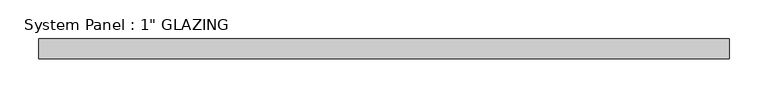
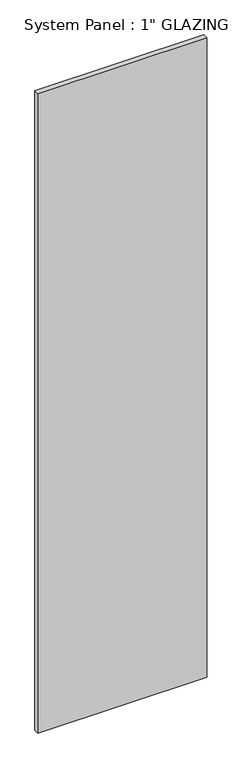
"""IFC4 building model written with IfcOpenShell, lengths in millimetres: plate geometry."""

import ifcopenshell
import ifcopenshell.guid

model = None  # the IFC model being written
_history = None  # IfcOwnerHistory: only IFC2X3 demands one
_inside = {}  # id of a spatial element -> (the spatial element, [elements in it])
_under = {}  # id of a project, library or spatial element -> (it, [spatial elements below it])
_declared = {}  # id of a project -> (the project, [libraries it declares])
_typed = {}  # id of a type object -> (the type object, [elements of that type])
_made_of = {}  # id of a material, layer set ... -> (it, [elements and type objects made of it])


def new_model(schema):
    """Start an empty IFC model of exactly this schema.

    Asked for "IFC4X3", IfcOpenShell would pick the latest addendum, in which some entities
    have other attributes; the version numbers below select the first issue.
    IFC2X3 requires an IfcOwnerHistory on every rooted entity: one is made here for all.
    """
    global model, _history
    if schema == "IFC4X3":
        model = ifcopenshell.file(schema_version=(4, 3, 0, 0))
    else:
        model = ifcopenshell.file(schema=schema)
    _inside.clear()
    _under.clear()
    _declared.clear()
    _typed.clear()
    _made_of.clear()
    _history = None
    if model.schema == "IFC2X3":
        org = make("IfcOrganization", Name="unknown")
        user = make(
            "IfcPersonAndOrganization",
            ThePerson=make("IfcPerson", FamilyName="unknown"),
            TheOrganization=org,
        )
        app = make(
            "IfcApplication",
            ApplicationDeveloper=org,
            Version="unknown",
            ApplicationFullName="unknown",
            ApplicationIdentifier="unknown",
        )
        _history = make(
            "IfcOwnerHistory",
            OwningUser=user,
            OwningApplication=app,
            ChangeAction="ADDED",
            CreationDate=0,
        )
    return model


def make(cls, **values):
    """One entity of the class cls with the attributes given. An attribute that is None is left unset."""
    return model.create_entity(
        cls, **{name: value for name, value in values.items() if value is not None}
    )


def rooted(cls, **values):
    """An entity with a GlobalId (a new one), such as an element, a storey or a relation."""
    return make(cls, GlobalId=ifcopenshell.guid.new(), OwnerHistory=_history, **values)


def si_unit(unit_type, name, prefix=None):
    """IfcSIUnit, for example si_unit("LENGTHUNIT", "METRE", prefix="MILLI")."""
    return make("IfcSIUnit", UnitType=unit_type, Prefix=prefix, Name=name)


def assignment(units):
    """IfcUnitAssignment: the units of a project."""
    return None if units is None else make("IfcUnitAssignment", Units=units)


def point(xyz):
    """IfcCartesianPoint."""
    return None if xyz is None else make("IfcCartesianPoint", Coordinates=xyz)


def direction(xyz):
    """IfcDirection."""
    return None if xyz is None else make("IfcDirection", DirectionRatios=xyz)


def frame(location, z_axis=None, x_axis=None):
    """IfcAxis2Placement3D, a coordinate frame: its origin and axes. An axis left out is left unset."""
    return make(
        "IfcAxis2Placement3D",
        Location=point(location),
        Axis=direction(z_axis),
        RefDirection=direction(x_axis),
    )


def origin():
    """The frame at (0, 0, 0) with its axes left unset."""
    return frame((0.0, 0.0, 0.0))


def origin_with_axes():
    """The frame at (0, 0, 0) with the z axis (0, 0, 1) and the x axis (1, 0, 0) written out."""
    return frame((0.0, 0.0, 0.0), z_axis=(0.0, 0.0, 1.0), x_axis=(1.0, 0.0, 0.0))


def place(relative_to, where):
    """IfcLocalPlacement: puts the frame where relative to a parent placement (None: the world)."""
    return make(
        "IfcLocalPlacement", PlacementRelTo=relative_to, RelativePlacement=where
    )


def context(
    kind, dimensions, precision=None, world=None, true_north=None, identifier=None
):
    """IfcGeometricRepresentationContext, for example the 3D "Model" context."""
    return make(
        "IfcGeometricRepresentationContext",
        ContextIdentifier=identifier,
        ContextType=kind,
        CoordinateSpaceDimension=dimensions,
        Precision=precision,
        WorldCoordinateSystem=world,
        TrueNorth=true_north,
    )


def project(units=None, contexts=None):
    """IfcProject with its units and contexts."""
    return rooted(
        "IfcProject",
        Name="project",
        RepresentationContexts=contexts,
        UnitsInContext=assignment(units),
    )


def spatial(cls, under=None, at=None, **own):
    """A site, building, storey or space (cls), placed at a placement, below another one or the project."""
    s = rooted(cls, ObjectPlacement=at, **own)
    if under is not None:
        _under.setdefault(under.id(), (under, []))[1].append(s)
    return s


def polyline(points):
    """IfcPolyline through the points."""
    return make("IfcPolyline", Points=[point(p) for p in points])


def outline(outer, holes=None, kind="AREA"):
    """IfcArbitraryClosedProfileDef: a profile drawn as a closed curve; with holes, ...WithVoids."""
    if holes is None:
        return make("IfcArbitraryClosedProfileDef", ProfileType=kind, OuterCurve=outer)
    return make(
        "IfcArbitraryProfileDefWithVoids",
        ProfileType=kind,
        OuterCurve=outer,
        InnerCurves=holes,
    )


def extrude(swept, where, along, depth):
    """IfcExtrudedAreaSolid: the profile swept, set in the frame where, extruded along a direction by depth."""
    return make(
        "IfcExtrudedAreaSolid",
        SweptArea=swept,
        Position=where,
        ExtrudedDirection=direction(along),
        Depth=depth,
    )


def shape(context_of_items, identifier, shape_type, items):
    """IfcShapeRepresentation: the items that make up one representation, for example the "Body"."""
    return make(
        "IfcShapeRepresentation",
        ContextOfItems=context_of_items,
        RepresentationIdentifier=identifier,
        RepresentationType=shape_type,
        Items=items,
    )


def source(mapping_origin, context_of_items, identifier, shape_type, items):
    """IfcRepresentationMap: a shape defined once, which mapped items show again and again."""
    return make(
        "IfcRepresentationMap",
        MappingOrigin=mapping_origin,
        MappedRepresentation=shape(context_of_items, identifier, shape_type, items),
    )


def transform(
    local_origin,
    x_axis=None,
    y_axis=None,
    z_axis=None,
    scale=None,
    scale2=None,
    scale3=None,
    uniform=True,
):
    """IfcCartesianTransformationOperator3D, or its non-uniform kind. x_axis, y_axis, z_axis: its Axis1, 2, 3."""
    if uniform:
        return make(
            "IfcCartesianTransformationOperator3D",
            Axis1=direction(x_axis),
            Axis2=direction(y_axis),
            LocalOrigin=point(local_origin),
            Scale=scale,
            Axis3=direction(z_axis),
        )
    return make(
        "IfcCartesianTransformationOperator3DnonUniform",
        Axis1=direction(x_axis),
        Axis2=direction(y_axis),
        LocalOrigin=point(local_origin),
        Scale=scale,
        Axis3=direction(z_axis),
        Scale2=scale2,
        Scale3=scale3,
    )


def mapped(mapping_source, mapping_target):
    """IfcMappedItem: shows the shape of a source again, moved by a transform."""
    return make(
        "IfcMappedItem", MappingSource=mapping_source, MappingTarget=mapping_target
    )


def made_of(thing, what):
    """Note that an element or type object is made of a material, layer set ...; save() writes the relation."""
    if what is not None:
        _made_of.setdefault(what.id(), (what, []))[1].append(thing)
    return thing


def element(
    cls,
    number,
    at=None,
    inside=None,
    cuts=None,
    type_object=None,
    material=None,
    context=None,
    identifier="Body",
    shape_type=None,
    held_by="IfcProductDefinitionShape",
    body=None,
    shapes=None,
    **own,
):
    """One element of the class cls, such as IfcWall. Its Tag is "e" and its number.

    at: its placement. inside: the storey or other place that contains it. cuts: it is an
    opening in that element (IfcRelVoidsElement). A single representation is given by context,
    identifier, shape_type and body (its items); several are given by shapes. held_by: the class
    of the entity that holds the representations. save() writes the other relations.
    """
    e = rooted(cls, Tag="e%d" % number, ObjectPlacement=at, **own)
    if body is not None:
        shapes = [shape(context, identifier, shape_type, body)]
    if shapes is not None:
        e.Representation = make(held_by, Representations=shapes)
    if inside is not None:
        _inside.setdefault(inside.id(), (inside, []))[1].append(e)
    if cuts is not None:
        rooted(
            "IfcRelVoidsElement", RelatingBuildingElement=cuts, RelatedOpeningElement=e
        )
    if type_object is not None:
        _typed.setdefault(type_object.id(), (type_object, []))[1].append(e)
    return made_of(e, material)


def aggregate(whole, parts):
    """IfcRelAggregates: a whole, such as a stair, and the parts it consists of."""
    return rooted("IfcRelAggregates", RelatingObject=whole, RelatedObjects=parts)


def save(model, path):
    """Write the relations noted so far, then the file.

    IfcRelAggregates (storeys below a building ...), IfcRelContainedInSpatialStructure (elements
    in a storey), IfcRelDefinesByType, IfcRelAssociatesMaterial and IfcRelDeclares: one each for
    every whole, place, type object, material and project.
    """
    for whole, parts in _under.values():
        aggregate(whole, parts)
    for where, things in _inside.values():
        rooted(
            "IfcRelContainedInSpatialStructure",
            RelatedElements=things,
            RelatingStructure=where,
        )
    for kind, things in _typed.values():
        rooted("IfcRelDefinesByType", RelatedObjects=things, RelatingType=kind)
    for what, things in _made_of.values():
        rooted("IfcRelAssociatesMaterial", RelatedObjects=things, RelatingMaterial=what)
    for by, libraries in _declared.values():
        rooted("IfcRelDeclares", RelatingContext=by, RelatedDefinitions=libraries)
    model.write(path)


def plate_dda3e755(model_context):
    return source(origin(), model_context, "Body", "SweptSolid", [
        extrude(outline(polyline([(444.5000002, -12.7), (-444.5000002, -12.7), (-444.5000002, 12.7), (444.5000002, 12.7), (444.5000002, -12.7)])), origin_with_axes(), (0.0, 0.0, 1.0), 3556.0),
    ])


if __name__ == "__main__":
    model = new_model("IFC4")
    model_context = context("Model", 3, world=origin())
    ifc_project = project(units=[si_unit("LENGTHUNIT", "METRE", prefix="MILLI")], contexts=[model_context])
    site = spatial("IfcSite", under=ifc_project)
    building = spatial("IfcBuilding", under=site)
    placement = place(None, origin())
    plate_shape = plate_dda3e755(model_context)
    element("IfcPlate", 1, ObjectType="System Panel : 1\" GLAZING", at=placement, inside=building, context=model_context, shape_type="MappedRepresentation", body=[
        mapped(plate_shape, transform((0.0, 0.0, 0.0), x_axis=(1.0, 0.0, 0.0), y_axis=(0.0, 1.0, 0.0), z_axis=(0.0, 0.0, 1.0))),
    ])
    save(model, "model.ifc")
